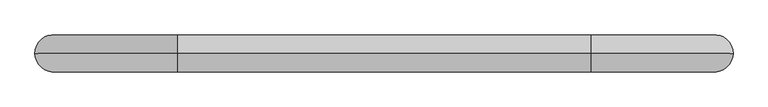
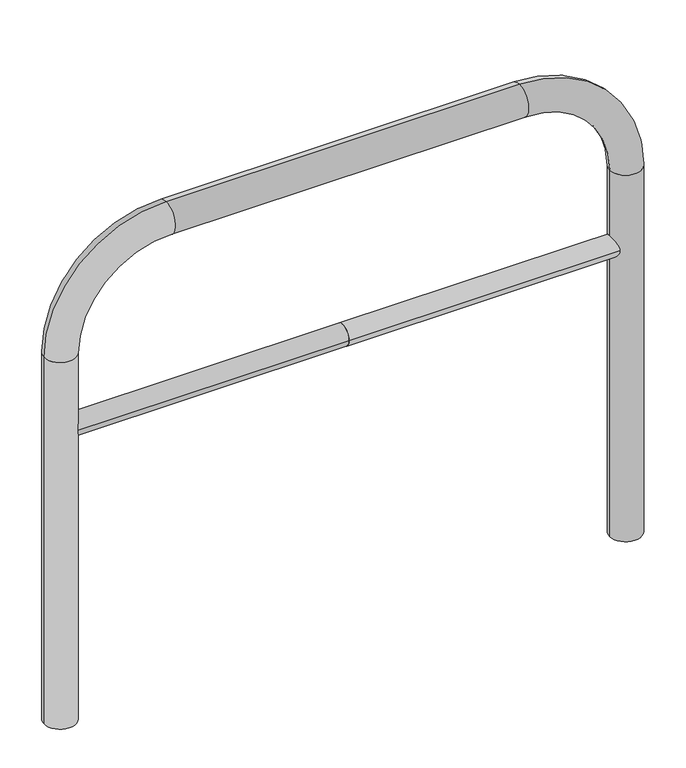
"""IFC4 building model written with IfcOpenShell, lengths in millimetres: proxy geometry."""

from ifc_helpers import new_model, si_unit, point, frame, frame_2d, origin, place, context, project, spatial, circle_curve, ellipse_curve, trimmed, segment, composite_curve, outline, extrude, source, transform, mapped, element, save
from ifc_brep_helpers import plane_surface, cylinder_surface, revolved_surface, advanced_brep


def generic_models_a9181b86(model_context):
    return source(origin(), model_context, "Body", "SolidModel", [
        extrude(outline(composite_curve([segment(trimmed(circle_curve(frame_2d((0.0, 498.4778375)), 20.0), [point((-20.0, 498.4778375))], [point((20.0, 498.4778375))], False, "CARTESIAN"), True, "CONTINUOUS"), segment(trimmed(circle_curve(frame_2d((0.0, 498.4778375)), 20.0), [point((20.0, 498.4778375))], [point((-20.0, 498.4778375))], False, "CARTESIAN"), True, "CONTINUOUS")], self_intersect=False)), frame((-533.1907921, 0.0, 0.0), z_axis=(1.0, 0.0, 0.0), x_axis=(0.0, 1.0, 0.0)), (0.0, 0.0, 1.0), 533.1907921),
        extrude(outline(composite_curve([segment(trimmed(circle_curve(frame_2d((0.0, 498.4778375)), 20.0), [point((-20.0, 498.4778375))], [point((20.0, 498.4778375))], False, "CARTESIAN"), True, "CONTINUOUS"), segment(trimmed(circle_curve(frame_2d((0.0, 498.4778375)), 20.0), [point((20.0, 498.4778375))], [point((-20.0, 498.4778375))], False, "CARTESIAN"), True, "CONTINUOUS")], self_intersect=False)), frame((0.0, 0.0, 0.0), z_axis=(1.0, 0.0, 0.0), x_axis=(0.0, 1.0, 0.0)), (0.0, 0.0, 1.0), 533.1907921),
        advanced_brep(
        [(-503.1907921, 0.0, -80.0), (-563.1907921, 0.0, -80.0), (-503.1907921, 0.0, 650.0), (-563.1907921, 0.0, 650.0), (-333.1907921, 0.0, 880.0), (-333.1907921, 0.0, 820.0), (333.1907921, 0.0, 820.0), (333.1907921, 0.0, 880.0), (563.1907921, 0.0, 650.0), (503.1907921, 0.0, 650.0), (503.1907921, 0.0, -80.0), (563.1907921, 0.0, -80.0)],
        [
            (0, 1, circle_curve(frame((-533.1907921, 0.0, -80.0), z_axis=(0.0, 0.0, -1.0), x_axis=(-1.0, 0.0, 0.0)), 30.0)),
            (1, 0, circle_curve(frame((-533.1907921, 0.0, -80.0), z_axis=(0.0, 0.0, -1.0), x_axis=(-1.0, 0.0, 0.0)), 30.0)),
            (0, 2),
            (2, 3, circle_curve(frame((-533.1907921, 0.0, 650.0), z_axis=(0.0, 0.0, -1.0), x_axis=(-1.0, 0.0, 0.0)), 30.0)),
            (3, 1),
            (3, 2, circle_curve(frame((-533.1907921, 0.0, 650.0), z_axis=(0.0, 0.0, -1.0), x_axis=(-1.0, 0.0, 0.0)), 30.0)),
            (4, 3, circle_curve(frame((-333.1907921, 0.0, 650.0), z_axis=(0.0, -1.0, 0.0), x_axis=(-1.0, 0.0, 0.0)), 230.0)),
            (2, 5, circle_curve(frame((-333.1907921, 0.0, 650.0), z_axis=(0.0, 1.0, 0.0), x_axis=(-1.0, 0.0, 0.0)), 170.0)),
            (5, 4, circle_curve(frame((-333.1907921, 0.0, 850.0), z_axis=(-1.0, 0.0, 0.0), x_axis=(0.0, 0.0, 1.0)), 30.0)),
            (4, 5, circle_curve(frame((-333.1907921, 0.0, 850.0), z_axis=(-1.0, 0.0, 0.0), x_axis=(0.0, 0.0, 1.0)), 30.0)),
            (5, 6),
            (6, 7, circle_curve(frame((333.1907921, 0.0, 850.0), z_axis=(-1.0, 0.0, 0.0), x_axis=(0.0, 0.0, 1.0)), 30.0)),
            (7, 4),
            (7, 6, circle_curve(frame((333.1907921, 0.0, 850.0), z_axis=(-1.0, 0.0, 0.0), x_axis=(0.0, 0.0, 1.0)), 30.0)),
            (8, 7, circle_curve(frame((333.1907921, 0.0, 650.0), z_axis=(0.0, -1.0, 0.0), x_axis=(0.0, 0.0, 1.0)), 230.0)),
            (6, 9, circle_curve(frame((333.1907921, 0.0, 650.0), z_axis=(0.0, 1.0, 0.0), x_axis=(0.0, 0.0, 1.0)), 170.0)),
            (9, 8, circle_curve(frame((533.1907921, 0.0, 650.0), z_axis=(0.0, 0.0, 1.0), x_axis=(1.0, 0.0, 0.0)), 30.0)),
            (8, 9, circle_curve(frame((533.1907921, 0.0, 650.0), z_axis=(0.0, 0.0, 1.0), x_axis=(1.0, 0.0, 0.0)), 30.0)),
            (10, 11, circle_curve(frame((533.1907921, 0.0, -80.0), z_axis=(0.0, 0.0, -1.0), x_axis=(1.0, 0.0, 0.0)), 30.0)),
            (11, 10, circle_curve(frame((533.1907921, 0.0, -80.0), z_axis=(0.0, 0.0, -1.0), x_axis=(1.0, 0.0, 0.0)), 30.0)),
            (9, 10),
            (11, 8),
        ],
        [
            plane_surface(frame((-533.1907921, 0.0, -80.0), z_axis=(0.0, 0.0, -1.0), x_axis=(0.0, -1.0, 0.0))),
            cylinder_surface(frame((-533.1907921, 0.0, -80.0), z_axis=(0.0, 0.0, -1.0), x_axis=(-1.0, 0.0, 0.0)), 30.0),
            revolved_surface(trimmed(ellipse_curve(frame((-533.1907921, 0.0, 650.0), z_axis=(0.0, 0.0, -1.0), x_axis=(-1.0, 0.0, 0.0)), 30.0, 30.0), [point((-503.1907921, 0.0, 650.0))], [point((-563.1907921, 0.0, 650.0))], True, "CARTESIAN"), (-333.1907921, 0.0, 650.0), (0.0, 1.0, 0.0)),
            revolved_surface(trimmed(ellipse_curve(frame((-533.1907921, 0.0, 650.0), z_axis=(0.0, 0.0, -1.0), x_axis=(-1.0, 0.0, 0.0)), 30.0, 30.0), [point((-563.1907921, 0.0, 650.0))], [point((-503.1907921, 0.0, 650.0))], True, "CARTESIAN"), (-333.1907921, 0.0, 650.0), (0.0, 1.0, 0.0)),
            cylinder_surface(frame((-333.1907921, 0.0, 850.0), z_axis=(-1.0, 0.0, 0.0), x_axis=(0.0, 0.0, 1.0)), 30.0),
            revolved_surface(trimmed(ellipse_curve(frame((333.1907921, 0.0, 850.0), z_axis=(-1.0, 0.0, 0.0), x_axis=(0.0, 0.0, 1.0)), 30.0, 30.0), [point((333.1907921, 0.0, 820.0))], [point((333.1907921, 0.0, 880.0))], True, "CARTESIAN"), (333.1907921, 0.0, 650.0), (0.0, 1.0, 0.0)),
            revolved_surface(trimmed(ellipse_curve(frame((333.1907921, 0.0, 850.0), z_axis=(-1.0, 0.0, 0.0), x_axis=(0.0, 0.0, 1.0)), 30.0, 30.0), [point((333.1907921, 0.0, 880.0))], [point((333.1907921, 0.0, 820.0))], True, "CARTESIAN"), (333.1907921, 0.0, 650.0), (0.0, 1.0, 0.0)),
            plane_surface(frame((533.1907921, 0.0, -80.0), z_axis=(0.0, 0.0, -1.0), x_axis=(0.0, -1.0, 0.0))),
            cylinder_surface(frame((533.1907921, 0.0, 650.0), z_axis=(0.0, 0.0, 1.0), x_axis=(1.0, 0.0, 0.0)), 30.0),
        ],
        [
            (0, [[1, 2]]),
            (1, [[-1, 3, 4, 5]]),
            (1, [[-2, -5, 6, -3]]),
            (2, [[7, -4, 8, 9]]),
            (3, [[-8, -6, -7, 10]]),
            (4, [[-9, 11, 12, 13]]),
            (4, [[-10, -13, 14, -11]]),
            (5, [[15, -12, 16, 17]]),
            (6, [[-16, -14, -15, 18]]),
            (7, [[19, 20]]),
            (8, [[-17, 21, -20, 22]]),
            (8, [[-18, -22, -19, -21]]),
        ],
    ),
    ])


if __name__ == "__main__":
    model = new_model("IFC4")
    model_context = context("Model", 3, world=origin())
    ifc_project = project(units=[si_unit("LENGTHUNIT", "METRE", prefix="MILLI")], contexts=[model_context])
    site = spatial("IfcSite", under=ifc_project)
    building = spatial("IfcBuilding", under=site)
    placement = place(None, origin())
    generic_models_shape = generic_models_a9181b86(model_context)
    element("IfcBuildingElementProxy", 1, Name="Generic Models", at=placement, inside=building, context=model_context, shape_type="MappedRepresentation", body=[
        mapped(generic_models_shape, transform((0.0, 0.0, 0.0), x_axis=(1.0, 0.0, 0.0), y_axis=(0.0, 1.0, 0.0), z_axis=(0.0, 0.0, 1.0))),
    ])
    save(model, "model.ifc")
